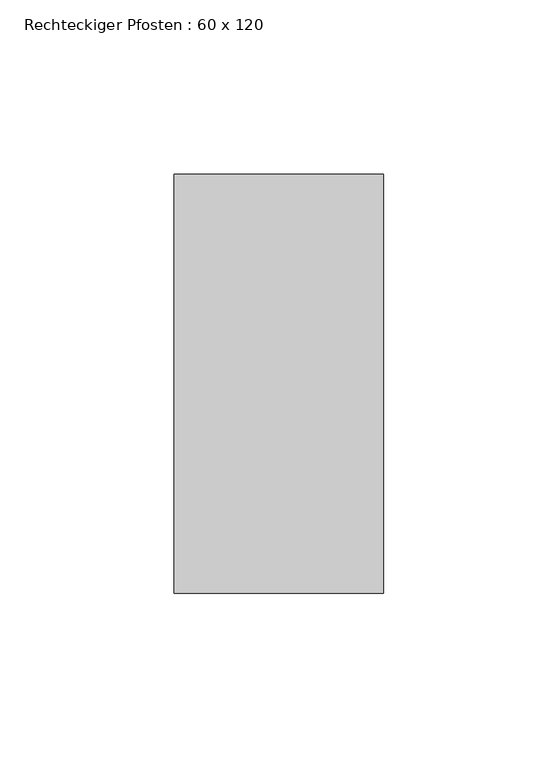
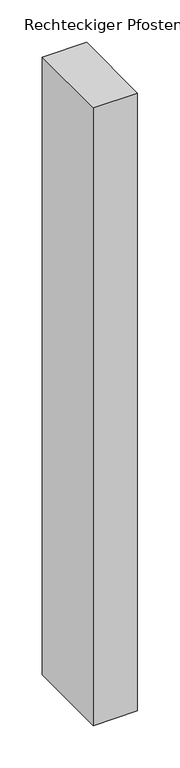
"""IFC4 building model written with IfcOpenShell, lengths in millimetres: member geometry, Rechteckiger Pfosten : 60 x 120."""

from ifc_helpers import new_model, si_unit, frame, origin, place, context, project, spatial, polyline, outline, extrude, source, transform, mapped, element, save


def rechteckiger_pfosten_60_x_120_f2627ad0(model_context):
    return source(origin(), model_context, "Body", "SweptSolid", [
        extrude(outline(polyline([(30.0, 60.0), (30.0, -60.0), (-30.0, -60.0), (-30.0, 60.0), (30.0, 60.0)])), frame((0.0, 0.0, -888.5714288), z_axis=(0.0, 0.0, 1.0), x_axis=(1.0, 0.0, 0.0)), (0.0, 0.0, 1.0), 888.5714288),
    ])


if __name__ == "__main__":
    model = new_model("IFC4")
    model_context = context("Model", 3, world=origin())
    ifc_project = project(units=[si_unit("LENGTHUNIT", "METRE", prefix="MILLI")], contexts=[model_context])
    site = spatial("IfcSite", under=ifc_project)
    building = spatial("IfcBuilding", under=site)
    placement = place(None, origin())
    rechteckiger_pfosten_60_x_120_shape = rechteckiger_pfosten_60_x_120_f2627ad0(model_context)
    element("IfcMember", 1, ObjectType="Rechteckiger Pfosten : 60 x 120", at=placement, inside=building, context=model_context, shape_type="MappedRepresentation", body=[
        mapped(rechteckiger_pfosten_60_x_120_shape, transform((0.0, 0.0, 0.0), x_axis=(1.0, 0.0, 0.0), y_axis=(0.0, 1.0, 0.0), z_axis=(0.0, 0.0, 1.0))),
    ])
    save(model, "model.ifc")
